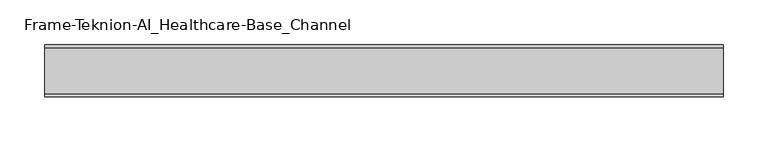
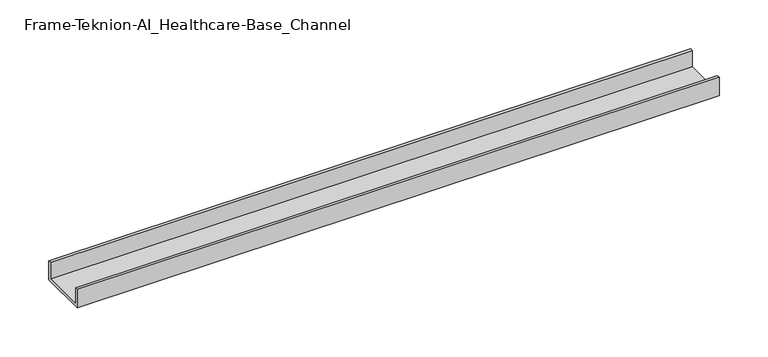
"""IFC4 building model written with IfcOpenShell, lengths in millimetres: proxy geometry, Frame-Teknion-AI_Healthcare-Base_Channel."""

from ifc_helpers import new_model, si_unit, frame, origin, place, context, project, spatial, polyline, outline, extrude, source, transform, mapped, element, save


def frame_teknion_ai_healthcare_base_channel_510bd43f(model_context):
    return source(origin(), model_context, "Body", "SweptSolid", [
        extrude(outline(polyline([(-29.0214844, 23.3164062), (-25.8464844, 23.3164062), (-25.8464844, 3.175), (25.8464844, 3.175), (25.8464844, 23.3164062), (29.0214844, 23.3164062), (29.0214844, 0.0), (-29.0214844, 0.0), (-29.0214844, 23.3164062)])), frame((-378.1008998, 0.0, 0.0), z_axis=(1.0, 0.0, 0.0), x_axis=(0.0, 1.0, 0.0)), (0.0, 0.0, 1.0), 756.2017997),
    ])


if __name__ == "__main__":
    model = new_model("IFC4")
    model_context = context("Model", 3, world=origin())
    ifc_project = project(units=[si_unit("LENGTHUNIT", "METRE", prefix="MILLI")], contexts=[model_context])
    site = spatial("IfcSite", under=ifc_project)
    building = spatial("IfcBuilding", under=site)
    placement = place(None, origin())
    frame_teknion_ai_healthcare_base_channel_shape = frame_teknion_ai_healthcare_base_channel_510bd43f(model_context)
    element("IfcBuildingElementProxy", 1, Name="Frame-Teknion-AI_Healthcare-Base_Channel", ObjectType="Frame-Teknion-AI_Healthcare-Base_Channel", at=placement, inside=building, context=model_context, shape_type="MappedRepresentation", body=[
        mapped(frame_teknion_ai_healthcare_base_channel_shape, transform((0.0, 0.0, 0.0), x_axis=(1.0, 0.0, 0.0), y_axis=(0.0, 1.0, 0.0), z_axis=(0.0, 0.0, 1.0))),
    ])
    save(model, "model.ifc")
